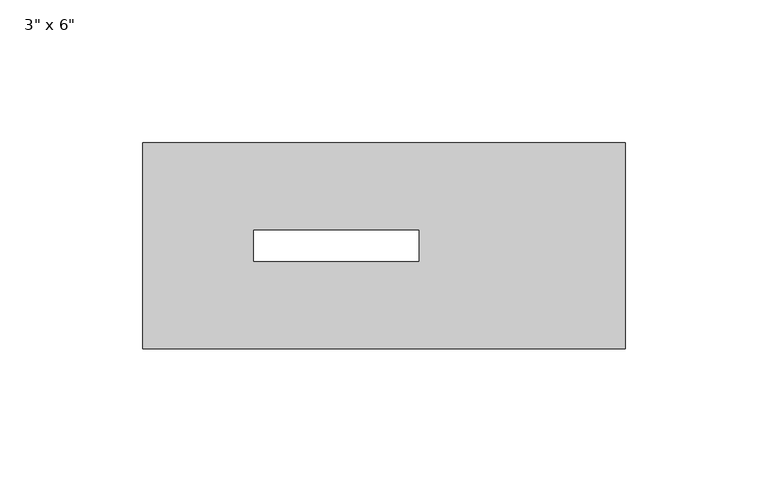
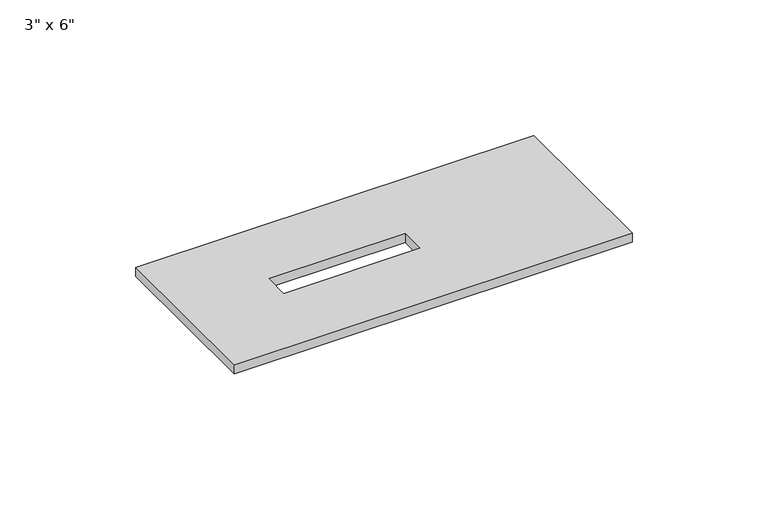
"""IFC4 building model written with IfcOpenShell, lengths in millimetres: furniture geometry."""

from ifc_helpers import new_model, si_unit, origin, origin_with_axes, place, context, project, spatial, polyline, outline, extrude, source, transform, mapped, element, save


def furniture_9f5f73cf(model_context):
    return source(origin(), model_context, "Body", "SweptSolid", [
        extrude(outline(polyline([(84.5098035, 36.1196158), (84.5098035, -36.1196158), (-84.5098035, -36.1196158), (-84.5098035, 36.1196158), (84.5098035, 36.1196158)]), holes=[polyline([(12.1647928, 5.4019237), (-45.7117311, 5.4019237), (-45.7117311, -5.4019237), (12.1647928, -5.4019237), (12.1647928, 5.4019237)])]), origin_with_axes(), (0.0, 0.0, 1.0), 3.9999739),
    ])


if __name__ == "__main__":
    model = new_model("IFC4")
    model_context = context("Model", 3, world=origin())
    ifc_project = project(units=[si_unit("LENGTHUNIT", "METRE", prefix="MILLI")], contexts=[model_context])
    site = spatial("IfcSite", under=ifc_project)
    building = spatial("IfcBuilding", under=site)
    placement = place(None, origin())
    furniture_shape = furniture_9f5f73cf(model_context)
    element("IfcFurniture", 1, ObjectType="3\" x 6\"", at=placement, inside=building, context=model_context, shape_type="MappedRepresentation", body=[
        mapped(furniture_shape, transform((0.0, 0.0, 0.0), x_axis=(1.0, 0.0, 0.0), y_axis=(0.0, 1.0, 0.0), z_axis=(0.0, 0.0, 1.0))),
    ])
    save(model, "model.ifc")
